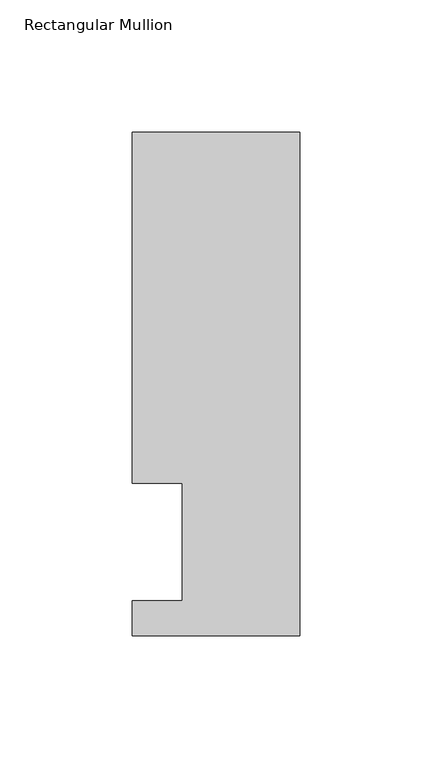
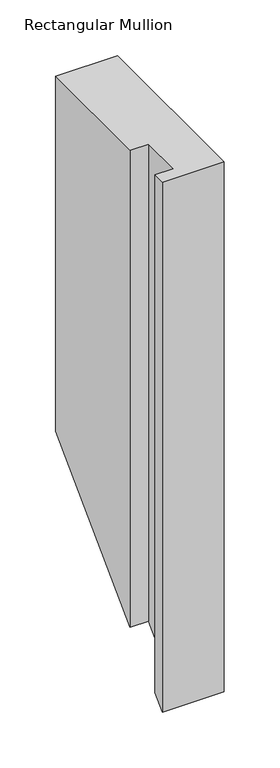
"""IFC4 building model written with IfcOpenShell, lengths in millimetres: member geometry, Rectangular Mullion."""

from ifc_helpers import new_model, si_unit, origin, place, context, project, spatial, faceted_brep, source, transform, mapped, element, save


def rectangular_mullion_59451244(model_context):
    return source(origin(), model_context, "Body", "Brep", [
        faceted_brep([(31.75, 190.5896938, 0.0), (-31.75, 190.5896938, 0.0), (-31.75, 57.6460937, 0.0), (-12.7, 57.6460937, 0.0), (-12.7, 13.1960938, 0.0), (-31.75, 13.1960938, 0.0), (-31.75, 0.0134938, 0.0), (31.75, 0.0134938, 0.0), (31.75, 190.5896938, -387.2603062), (-31.75, 190.5896938, -387.2603062), (-31.75, 57.6460937, -520.2039062), (-12.7, 57.6460937, -520.2039062), (-12.7, 13.1960938, -564.6539062), (-31.75, 13.1960938, -564.6539062), (-31.75, 0.0134938, -577.8365062), (31.75, 0.0134938, -577.8365062)], [[[0, 1, 2, 3, 4, 5, 6, 7]], [[1, 0, 8, 9]], [[2, 1, 9, 10]], [[3, 2, 10, 11]], [[4, 3, 11, 12]], [[5, 4, 12, 13]], [[6, 5, 13, 14]], [[7, 6, 14, 15]], [[0, 7, 15, 8]], [[8, 15, 14, 13, 12, 11, 10, 9]]]),
    ])


if __name__ == "__main__":
    model = new_model("IFC4")
    model_context = context("Model", 3, world=origin())
    ifc_project = project(units=[si_unit("LENGTHUNIT", "METRE", prefix="MILLI")], contexts=[model_context])
    site = spatial("IfcSite", under=ifc_project)
    building = spatial("IfcBuilding", under=site)
    placement = place(None, origin())
    rectangular_mullion_shape = rectangular_mullion_59451244(model_context)
    element("IfcMember", 1, ObjectType="Rectangular Mullion", at=placement, inside=building, context=model_context, shape_type="MappedRepresentation", body=[
        mapped(rectangular_mullion_shape, transform((0.0, 0.0, 0.0), x_axis=(1.0, 0.0, 0.0), y_axis=(0.0, 1.0, 0.0), z_axis=(0.0, 0.0, 1.0))),
    ])
    save(model, "model.ifc")
